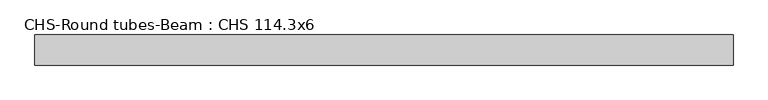
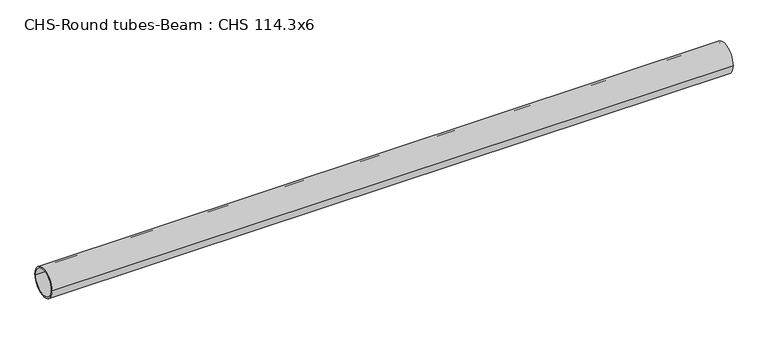
"""IFC4 building model written with IfcOpenShell, lengths in millimetres: beam geometry, CHS-Round tubes-Beam : CHS 114.3x6."""

from ifc_helpers import new_model, si_unit, point, frame, origin, origin_2d, place, context, project, spatial, circle_curve, trimmed, segment, composite_curve, outline, extrude, source, transform, mapped, element, save


def chs_round_tubes_beam_chs_114_3x6_44bddf32(model_context):
    return source(origin(), model_context, "Body", "SweptSolid", [
        extrude(outline(composite_curve([segment(trimmed(circle_curve(origin_2d(), 57.15), [point((57.15, 0.0))], [point((-57.15, 0.0))], False, "CARTESIAN"), True, "CONTINUOUS"), segment(trimmed(circle_curve(origin_2d(), 57.15), [point((-57.15, 0.0))], [point((57.15, 0.0))], False, "CARTESIAN"), True, "CONTINUOUS")], self_intersect=False), holes=[composite_curve([segment(trimmed(circle_curve(origin_2d(), 51.15), [point((51.15, 0.0))], [point((-51.15, 0.0))], True, "CARTESIAN"), True, "CONTINUOUS"), segment(trimmed(circle_curve(origin_2d(), 51.15), [point((-51.15, 0.0))], [point((51.15, 0.0))], True, "CARTESIAN"), True, "CONTINUOUS")], self_intersect=False)]), frame((-1284.1161408, 0.0, 0.0), z_axis=(1.0, 0.0, 0.0), x_axis=(0.0, 1.0, 0.0)), (0.0, 0.0, 1.0), 2648.7194397),
    ])


if __name__ == "__main__":
    model = new_model("IFC4")
    model_context = context("Model", 3, world=origin())
    ifc_project = project(units=[si_unit("LENGTHUNIT", "METRE", prefix="MILLI")], contexts=[model_context])
    site = spatial("IfcSite", under=ifc_project)
    building = spatial("IfcBuilding", under=site)
    placement = place(None, origin())
    chs_round_tubes_beam_chs_114_3x6_shape = chs_round_tubes_beam_chs_114_3x6_44bddf32(model_context)
    element("IfcBeam", 1, ObjectType="CHS-Round tubes-Beam : CHS 114.3x6", at=placement, inside=building, context=model_context, shape_type="MappedRepresentation", body=[
        mapped(chs_round_tubes_beam_chs_114_3x6_shape, transform((0.0, 0.0, 0.0), x_axis=(1.0, 0.0, 0.0), y_axis=(0.0, 1.0, 0.0), z_axis=(0.0, 0.0, 1.0))),
    ])
    save(model, "model.ifc")
